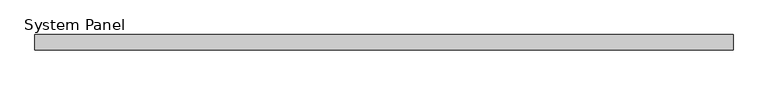
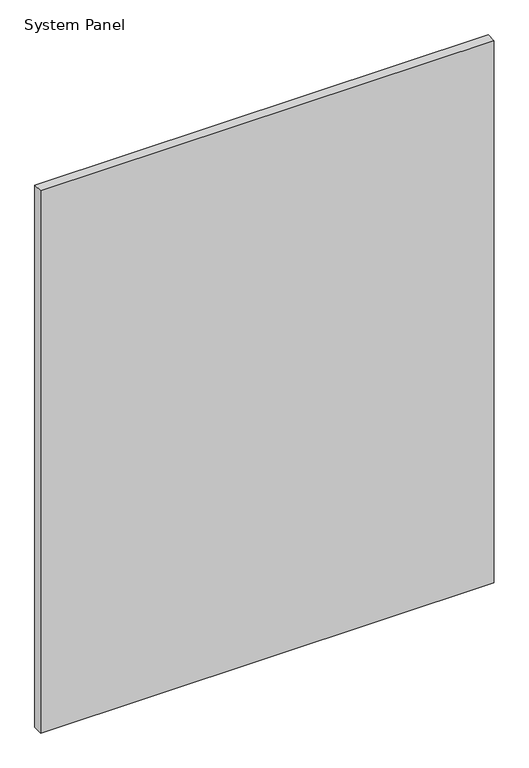
"""IFC4 building model written with IfcOpenShell, lengths in millimetres: plate geometry, System Panel."""

from ifc_helpers import new_model, si_unit, origin, origin_with_axes, place, context, project, spatial, polyline, outline, extrude, source, transform, mapped, element, save


def system_panel_e03381db(model_context):
    return source(origin(), model_context, "Body", "SweptSolid", [
        extrude(outline(polyline([(576.2664725, -0.85), (-576.2664725, -0.85), (-576.2664725, 24.45), (576.2664725, 24.45), (576.2664725, -0.85)])), origin_with_axes(), (0.0, 0.0, 1.0), 1455.7969039),
    ])


if __name__ == "__main__":
    model = new_model("IFC4")
    model_context = context("Model", 3, world=origin())
    ifc_project = project(units=[si_unit("LENGTHUNIT", "METRE", prefix="MILLI")], contexts=[model_context])
    site = spatial("IfcSite", under=ifc_project)
    building = spatial("IfcBuilding", under=site)
    placement = place(None, origin())
    system_panel_shape = system_panel_e03381db(model_context)
    element("IfcPlate", 1, ObjectType="System Panel", at=placement, inside=building, context=model_context, shape_type="MappedRepresentation", body=[
        mapped(system_panel_shape, transform((0.0, 0.0, 0.0), x_axis=(1.0, 0.0, 0.0), y_axis=(0.0, 1.0, 0.0), z_axis=(0.0, 0.0, 1.0))),
    ])
    save(model, "model.ifc")
